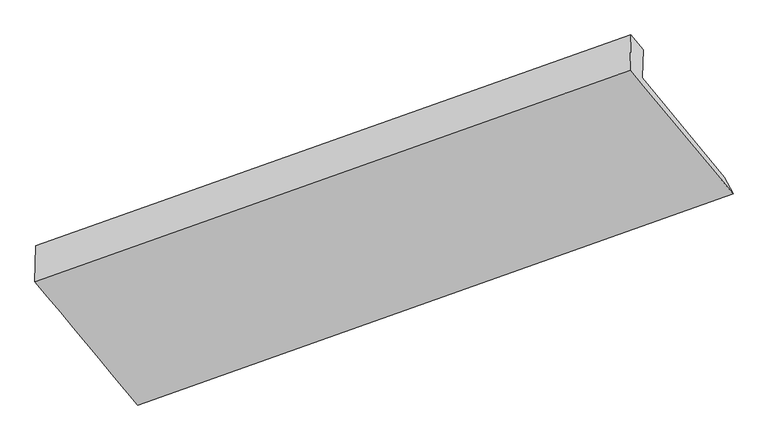
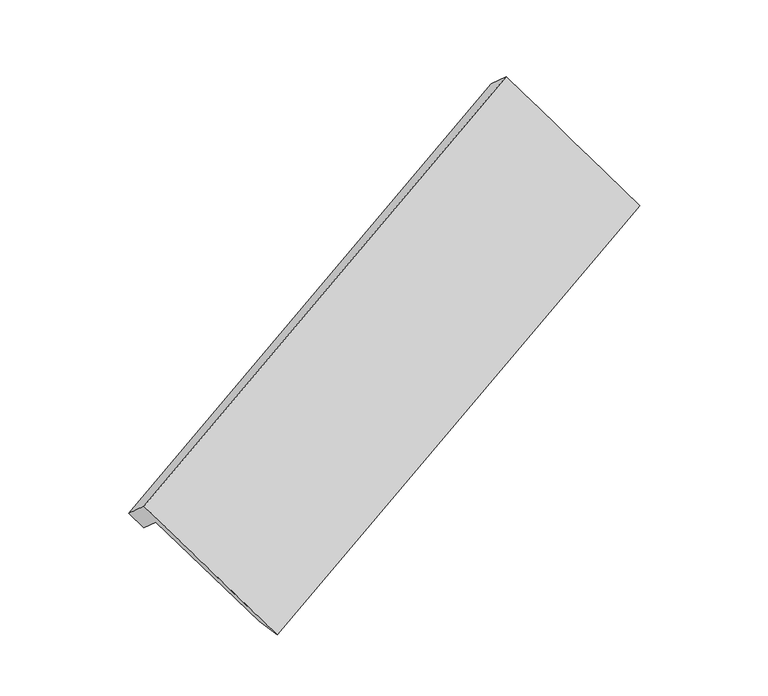
"""IFC4 building model written with IfcOpenShell, lengths in millimetres: proxy geometry."""

import ifcopenshell
import ifcopenshell.guid

model = None  # the IFC model being written
_history = None  # IfcOwnerHistory: only IFC2X3 demands one
_inside = {}  # id of a spatial element -> (the spatial element, [elements in it])
_under = {}  # id of a project, library or spatial element -> (it, [spatial elements below it])
_declared = {}  # id of a project -> (the project, [libraries it declares])
_typed = {}  # id of a type object -> (the type object, [elements of that type])
_made_of = {}  # id of a material, layer set ... -> (it, [elements and type objects made of it])


def new_model(schema):
    """Start an empty IFC model of exactly this schema.

    Asked for "IFC4X3", IfcOpenShell would pick the latest addendum, in which some entities
    have other attributes; the version numbers below select the first issue.
    IFC2X3 requires an IfcOwnerHistory on every rooted entity: one is made here for all.
    """
    global model, _history
    if schema == "IFC4X3":
        model = ifcopenshell.file(schema_version=(4, 3, 0, 0))
    else:
        model = ifcopenshell.file(schema=schema)
    _inside.clear()
    _under.clear()
    _declared.clear()
    _typed.clear()
    _made_of.clear()
    _history = None
    if model.schema == "IFC2X3":
        org = make("IfcOrganization", Name="unknown")
        user = make(
            "IfcPersonAndOrganization",
            ThePerson=make("IfcPerson", FamilyName="unknown"),
            TheOrganization=org,
        )
        app = make(
            "IfcApplication",
            ApplicationDeveloper=org,
            Version="unknown",
            ApplicationFullName="unknown",
            ApplicationIdentifier="unknown",
        )
        _history = make(
            "IfcOwnerHistory",
            OwningUser=user,
            OwningApplication=app,
            ChangeAction="ADDED",
            CreationDate=0,
        )
    return model


def make(cls, **values):
    """One entity of the class cls with the attributes given. An attribute that is None is left unset."""
    return model.create_entity(
        cls, **{name: value for name, value in values.items() if value is not None}
    )


def rooted(cls, **values):
    """An entity with a GlobalId (a new one), such as an element, a storey or a relation."""
    return make(cls, GlobalId=ifcopenshell.guid.new(), OwnerHistory=_history, **values)


def si_unit(unit_type, name, prefix=None):
    """IfcSIUnit, for example si_unit("LENGTHUNIT", "METRE", prefix="MILLI")."""
    return make("IfcSIUnit", UnitType=unit_type, Prefix=prefix, Name=name)


def assignment(units):
    """IfcUnitAssignment: the units of a project."""
    return None if units is None else make("IfcUnitAssignment", Units=units)


def point(xyz):
    """IfcCartesianPoint."""
    return None if xyz is None else make("IfcCartesianPoint", Coordinates=xyz)


def direction(xyz):
    """IfcDirection."""
    return None if xyz is None else make("IfcDirection", DirectionRatios=xyz)


def frame(location, z_axis=None, x_axis=None):
    """IfcAxis2Placement3D, a coordinate frame: its origin and axes. An axis left out is left unset."""
    return make(
        "IfcAxis2Placement3D",
        Location=point(location),
        Axis=direction(z_axis),
        RefDirection=direction(x_axis),
    )


def origin():
    """The frame at (0, 0, 0) with its axes left unset."""
    return frame((0.0, 0.0, 0.0))


def place(relative_to, where):
    """IfcLocalPlacement: puts the frame where relative to a parent placement (None: the world)."""
    return make(
        "IfcLocalPlacement", PlacementRelTo=relative_to, RelativePlacement=where
    )


def context(
    kind, dimensions, precision=None, world=None, true_north=None, identifier=None
):
    """IfcGeometricRepresentationContext, for example the 3D "Model" context."""
    return make(
        "IfcGeometricRepresentationContext",
        ContextIdentifier=identifier,
        ContextType=kind,
        CoordinateSpaceDimension=dimensions,
        Precision=precision,
        WorldCoordinateSystem=world,
        TrueNorth=true_north,
    )


def project(units=None, contexts=None):
    """IfcProject with its units and contexts."""
    return rooted(
        "IfcProject",
        Name="project",
        RepresentationContexts=contexts,
        UnitsInContext=assignment(units),
    )


def spatial(cls, under=None, at=None, **own):
    """A site, building, storey or space (cls), placed at a placement, below another one or the project."""
    s = rooted(cls, ObjectPlacement=at, **own)
    if under is not None:
        _under.setdefault(under.id(), (under, []))[1].append(s)
    return s


def shape(context_of_items, identifier, shape_type, items):
    """IfcShapeRepresentation: the items that make up one representation, for example the "Body"."""
    return make(
        "IfcShapeRepresentation",
        ContextOfItems=context_of_items,
        RepresentationIdentifier=identifier,
        RepresentationType=shape_type,
        Items=items,
    )


def source(mapping_origin, context_of_items, identifier, shape_type, items):
    """IfcRepresentationMap: a shape defined once, which mapped items show again and again."""
    return make(
        "IfcRepresentationMap",
        MappingOrigin=mapping_origin,
        MappedRepresentation=shape(context_of_items, identifier, shape_type, items),
    )


def transform(
    local_origin,
    x_axis=None,
    y_axis=None,
    z_axis=None,
    scale=None,
    scale2=None,
    scale3=None,
    uniform=True,
):
    """IfcCartesianTransformationOperator3D, or its non-uniform kind. x_axis, y_axis, z_axis: its Axis1, 2, 3."""
    if uniform:
        return make(
            "IfcCartesianTransformationOperator3D",
            Axis1=direction(x_axis),
            Axis2=direction(y_axis),
            LocalOrigin=point(local_origin),
            Scale=scale,
            Axis3=direction(z_axis),
        )
    return make(
        "IfcCartesianTransformationOperator3DnonUniform",
        Axis1=direction(x_axis),
        Axis2=direction(y_axis),
        LocalOrigin=point(local_origin),
        Scale=scale,
        Axis3=direction(z_axis),
        Scale2=scale2,
        Scale3=scale3,
    )


def mapped(mapping_source, mapping_target):
    """IfcMappedItem: shows the shape of a source again, moved by a transform."""
    return make(
        "IfcMappedItem", MappingSource=mapping_source, MappingTarget=mapping_target
    )


def made_of(thing, what):
    """Note that an element or type object is made of a material, layer set ...; save() writes the relation."""
    if what is not None:
        _made_of.setdefault(what.id(), (what, []))[1].append(thing)
    return thing


def element(
    cls,
    number,
    at=None,
    inside=None,
    cuts=None,
    type_object=None,
    material=None,
    context=None,
    identifier="Body",
    shape_type=None,
    held_by="IfcProductDefinitionShape",
    body=None,
    shapes=None,
    **own,
):
    """One element of the class cls, such as IfcWall. Its Tag is "e" and its number.

    at: its placement. inside: the storey or other place that contains it. cuts: it is an
    opening in that element (IfcRelVoidsElement). A single representation is given by context,
    identifier, shape_type and body (its items); several are given by shapes. held_by: the class
    of the entity that holds the representations. save() writes the other relations.
    """
    e = rooted(cls, Tag="e%d" % number, ObjectPlacement=at, **own)
    if body is not None:
        shapes = [shape(context, identifier, shape_type, body)]
    if shapes is not None:
        e.Representation = make(held_by, Representations=shapes)
    if inside is not None:
        _inside.setdefault(inside.id(), (inside, []))[1].append(e)
    if cuts is not None:
        rooted(
            "IfcRelVoidsElement", RelatingBuildingElement=cuts, RelatedOpeningElement=e
        )
    if type_object is not None:
        _typed.setdefault(type_object.id(), (type_object, []))[1].append(e)
    return made_of(e, material)


def aggregate(whole, parts):
    """IfcRelAggregates: a whole, such as a stair, and the parts it consists of."""
    return rooted("IfcRelAggregates", RelatingObject=whole, RelatedObjects=parts)


def save(model, path):
    """Write the relations noted so far, then the file.

    IfcRelAggregates (storeys below a building ...), IfcRelContainedInSpatialStructure (elements
    in a storey), IfcRelDefinesByType, IfcRelAssociatesMaterial and IfcRelDeclares: one each for
    every whole, place, type object, material and project.
    """
    for whole, parts in _under.values():
        aggregate(whole, parts)
    for where, things in _inside.values():
        rooted(
            "IfcRelContainedInSpatialStructure",
            RelatedElements=things,
            RelatingStructure=where,
        )
    for kind, things in _typed.values():
        rooted("IfcRelDefinesByType", RelatedObjects=things, RelatingType=kind)
    for what, things in _made_of.values():
        rooted("IfcRelAssociatesMaterial", RelatedObjects=things, RelatingMaterial=what)
    for by, libraries in _declared.values():
        rooted("IfcRelDeclares", RelatingContext=by, RelatedDefinitions=libraries)
    model.write(path)


def plane_surface(at):
    """IfcPlane: the flat surface through the origin of the frame at, square to its z axis."""
    return make("IfcPlane", Position=at)


def spline_surface(u_degree, v_degree, points, u_multiplicities, v_multiplicities, u_knots, v_knots, weights=None):
    """IfcBSplineSurfaceWithKnots; with weights, IfcRationalBSplineSurfaceWithKnots. points: one row for each step in u."""
    own = dict(
        UDegree=u_degree,
        VDegree=v_degree,
        ControlPointsList=[[point(p) for p in row] for row in points],
        SurfaceForm="UNSPECIFIED",
        UClosed=False,
        VClosed=False,
        SelfIntersect=False,
        UMultiplicities=u_multiplicities,
        VMultiplicities=v_multiplicities,
        UKnots=u_knots,
        VKnots=v_knots,
        KnotSpec="UNSPECIFIED",
    )
    if weights is None:
        return make("IfcBSplineSurfaceWithKnots", **own)
    return make("IfcRationalBSplineSurfaceWithKnots", WeightsData=weights, **own)


def advanced_brep(points, edges, surfaces, faces):
    """IfcAdvancedBrep: a solid bounded by faces that lie on surfaces and meet in shared edges.

    An edge is (start, end): straight between two places in points (the first is 0);
    or (start, end, curve); or (start, end, curve, False) where it runs against its curve.
    A face is (place in surfaces, loops), or (place, loops, False) where it looks against
    its surface's normal. A loop lists edges by number (the first is 1), with a minus sign
    where the edge is run from its end to its start. The first loop is the outer one.
    """
    corners = [point(p) for p in points]
    vertices = [make("IfcVertexPoint", VertexGeometry=c) for c in corners]
    made = []
    for start, end, *more in edges:
        made.append(
            make(
                "IfcEdgeCurve",
                EdgeStart=vertices[start],
                EdgeEnd=vertices[end],
                EdgeGeometry=more[0] if more else make("IfcPolyline", Points=[corners[start], corners[end]]),
                SameSense=more[1] if len(more) > 1 else True,
            )
        )
    hull = []
    for where, loops, *sense in faces:
        bounds = []
        for j, loop in enumerate(loops):
            ring = [make("IfcOrientedEdge", EdgeElement=made[abs(k) - 1], Orientation=k > 0) for k in loop]
            bounds.append(
                make(
                    "IfcFaceOuterBound" if j == 0 else "IfcFaceBound",
                    Bound=make("IfcEdgeLoop", EdgeList=ring),
                    Orientation=True,
                )
            )
        hull.append(make("IfcAdvancedFace", Bounds=bounds, FaceSurface=surfaces[where], SameSense=sense[0] if sense else True))
    return make("IfcAdvancedBrep", Outer=make("IfcClosedShell", CfsFaces=hull))


def generic_models_06b26ee1(model_context):
    return source(origin(), model_context, "Body", "AdvancedBrep", [
        advanced_brep(
        [(-6224.0510471, -2363.8107228, 1001.8143088), (-6216.4187257, -2071.0439998, 741.4920803), (-8.1269796, 120.1840625, 3412.9043331), (-15.6976556, -170.2180172, 3671.1239688), (-6337.2168987, -1924.1756631, 903.1232688), (-134.74935, 274.1335509, 3582.3284535), (-6346.9230195, -2296.4908533, 1234.1783799), (-144.3582767, -94.4533918, 3910.0684826), (-5275.9962217, -3582.8992111, -211.702269), (929.8782986, -1381.8380287, 2457.2355252), (-5397.0427602, -3369.3005288, -104.744913), (838.4714739, -1208.7304069, 2528.2228128)],
        [
            (0, 1),
            (1, 2),
            (2, 3),
            (3, 0),
            (1, 4),
            (4, 5),
            (5, 2),
            (4, 6),
            (6, 7),
            (7, 5),
            (6, 8),
            (8, 9),
            (9, 7),
            (8, 10),
            (10, 11),
            (11, 9),
            (10, 0),
            (3, 11),
        ],
        [
            plane_surface(frame((-6220.2348864, -2217.4273613, 871.6531945), z_axis=(0.48581993495634757, -0.5878381627018399, -0.6468580101307673), x_axis=(0.019478177779646624, 0.7471596181758408, -0.6643591690928308))),
            plane_surface(frame((-6276.8178122, -1997.6098315, 822.3076746), z_axis=(0.021528733265701233, 0.7478817303272143, -0.6634828039118621), x_axis=(-0.48401758771679165, 0.5884762681632609, 0.6476284865487772))),
            plane_surface(frame((-6342.0699591, -2110.3332582, 1068.6508243), z_axis=(-0.48729917362073316, 0.5873120349762198, 0.6462229406022679), x_axis=(-0.01947817777964662, -0.7471596181758404, 0.6643591690928311))),
            spline_surface(1, 1, [[(-6346.9230195, -2296.4908533, 1234.1783799), (-144.3582767, -94.4533918, 3910.0684826)], [(-5275.9962217, -3582.8992111, -211.702269), (929.8782986, -1381.8380287, 2457.2355252)]], [2, 2], [2, 2], [0.0, 1.0], [0.0, 1.0]),
            spline_surface(1, 1, [[(-5275.9962217, -3582.8992111, -211.702269), (929.8782986, -1381.8380287, 2457.2355252)], [(-5397.0427602, -3369.3005288, -104.744913), (838.4714739, -1208.7304069, 2528.2228128)]], [2, 2], [2, 2], [0.0, 1.0], [0.0, 1.0]),
            plane_surface(frame((-5810.5469036, -2866.5556258, 448.5346979), z_axis=(0.021139063162206123, 0.7477448193137934, -0.6636496253280091), x_axis=(-0.4840175877167818, 0.5884762681632736, 0.6476284865487731))),
            plane_surface(frame((244.2362518, -410.1537052, 3260.3139293), z_axis=(0.8748414572773806, 0.3089468996056529, 0.3731008413992709), x_axis=(-0.4389658391848216, 0.831320119444825, 0.3409044602744401))),
            plane_surface(frame((-5966.2747788, -2601.2868298, 594.0268093), z_axis=(-0.8748414572773793, -0.3089468996056149, -0.3731008413993054), x_axis=(0.4840175877167824, -0.5884762681632725, -0.6476284865487737))),
        ],
        [
            (0, [[1, 2, 3, 4]]),
            (1, [[5, 6, 7, -2]]),
            (2, [[8, 9, 10, -6]]),
            (3, [[11, 12, 13, -9]]),
            (4, [[14, 15, 16, -12]]),
            (5, [[17, -4, 18, -15]]),
            (6, [[-16, -18, -3, -7, -10, -13]]),
            (7, [[-17, -14, -11, -8, -5, -1]]),
        ],
    ),
    ])


if __name__ == "__main__":
    model = new_model("IFC4")
    model_context = context("Model", 3, world=origin())
    ifc_project = project(units=[si_unit("LENGTHUNIT", "METRE", prefix="MILLI")], contexts=[model_context])
    site = spatial("IfcSite", under=ifc_project)
    building = spatial("IfcBuilding", under=site)
    placement = place(None, origin())
    generic_models_shape = generic_models_06b26ee1(model_context)
    element("IfcBuildingElementProxy", 1, Name="Generic Models", at=placement, inside=building, context=model_context, shape_type="MappedRepresentation", body=[
        mapped(generic_models_shape, transform((0.0, 0.0, 0.0), x_axis=(1.0, 0.0, 0.0), y_axis=(0.0, 1.0, 0.0), z_axis=(0.0, 0.0, 1.0))),
    ])
    save(model, "model.ifc")
